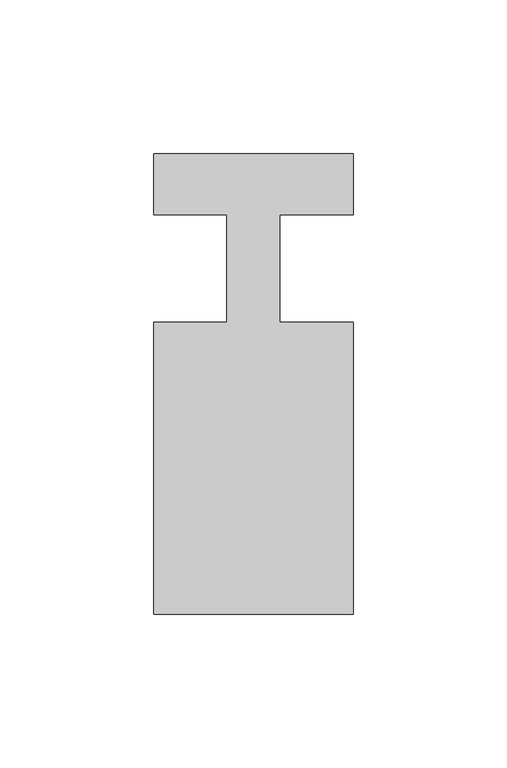
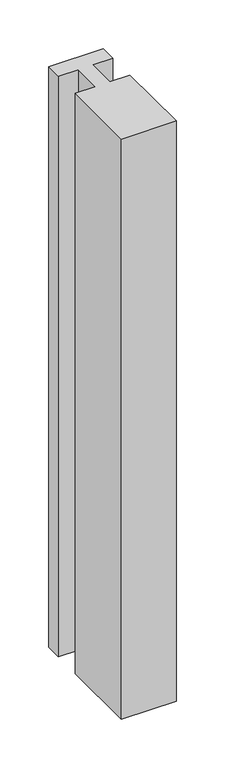
"""IFC4 building model written with IfcOpenShell, lengths in millimetres: member geometry."""

from ifc_helpers import new_model, si_unit, frame, origin, place, context, project, spatial, polyline, outline, extrude, source, transform, mapped, element, save


def member_72d1f500(model_context):
    return source(origin(), model_context, "Body", "SweptSolid", [
        extrude(outline(polyline([(-65.0, 37.0), (0.0, 37.0), (0.0, 17.0), (-23.8125, 17.0), (-23.8125, -18.0), (0.0, -18.0), (0.0, -113.0), (-65.0, -113.0), (-65.0, -18.0), (-41.1875, -18.0), (-41.1875, 17.0), (-65.0, 17.0), (-65.0, 37.0)])), frame((0.0, 0.0, -729.1666667), z_axis=(0.0, 0.0, 1.0), x_axis=(1.0, 0.0, 0.0)), (0.0, 0.0, 1.0), 729.1666667),
    ])


if __name__ == "__main__":
    model = new_model("IFC4")
    model_context = context("Model", 3, world=origin())
    ifc_project = project(units=[si_unit("LENGTHUNIT", "METRE", prefix="MILLI")], contexts=[model_context])
    site = spatial("IfcSite", under=ifc_project)
    building = spatial("IfcBuilding", under=site)
    placement = place(None, origin())
    member_shape = member_72d1f500(model_context)
    element("IfcMember", 1, at=placement, inside=building, context=model_context, shape_type="MappedRepresentation", body=[
        mapped(member_shape, transform((0.0, 0.0, 0.0), x_axis=(1.0, 0.0, 0.0), y_axis=(0.0, 1.0, 0.0), z_axis=(0.0, 0.0, 1.0))),
    ])
    save(model, "model.ifc")
